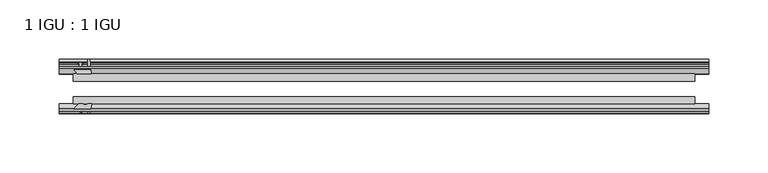
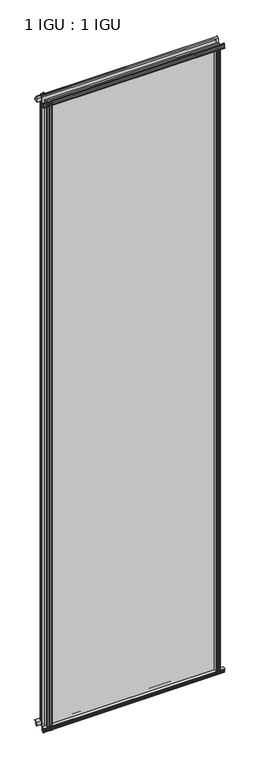
"""IFC4 building model written with IfcOpenShell, lengths in millimetres: plate geometry, 1 IGU : 1 IGU."""

from ifc_helpers import new_model, si_unit, point, frame, frame_2d, origin, origin_with_axes, place, context, project, spatial, polyline, circle_curve, trimmed, segment, composite_curve, outline, extrude, source, transform, mapped, element, save


def plate_1_igu_1_igu_e718d30f(model_context):
    return source(origin(), model_context, "Body", "SweptSolid", [
        extrude(outline(polyline([(-24.9039062, 2.5763839), (-12.2039062, 1.5739665), (-12.2039062, 0.0), (-18.5539062, 0.0), (-18.5539062, -4.953), (-16.254502, -5.5691235), (-16.6301757, -4.1670901), (-15.7714677, -3.937), (-15.1249062, -6.35), (-15.7714677, -8.763), (-16.6301757, -8.5329099), (-16.254502, -7.1308765), (-18.5539062, -7.747), (-18.5539062, -12.7), (-20.5859062, -12.7), (-24.9039062, -9.1036931), (-24.9039062, 2.5763839)])), frame((-275.3868, 0.0, 0.0), z_axis=(1.0, 0.0, 0.0), x_axis=(0.0, 1.0, 0.0)), (0.0, 0.0, 1.0), 550.7736),
        extrude(outline(composite_curve([segment(polyline([(-58.2287402, 1.5687054), (-50.3039062, 3.0983599), (-50.3039062, -7.92383), (-54.4858806, -12.1058044)]), True, "CONTINUOUS"), segment(trimmed(circle_curve(frame_2d((-55.3839062, -11.2077788)), 1.27), [point((-54.4858806, -12.1058044))], [point((-56.6539062, -11.2077788))], False, "CARTESIAN"), True, "CONTINUOUS"), segment(polyline([(-56.6539062, -11.2077788), (-56.6539062, -8.0327788), (-58.1332022, -5.4488186), (-56.6539062, -5.1879788), (-56.6539062, 0.2222212), (-58.2287402, 0.0), (-58.2287402, 1.5687054)]), True, "CONTINUOUS")], self_intersect=False)), frame((-275.3868, 0.0, 0.0), z_axis=(1.0, 0.0, 0.0), x_axis=(0.0, 1.0, 0.0)), (0.0, 0.0, 1.0), 550.7736),
        extrude(outline(polyline([(-18.5539063, 2001.656525), (-16.254502, 2001.0404015), (-16.6301757, 2002.4424349), (-15.7714677, 2002.672525), (-15.1249063, 2000.259525), (-15.7714677, 1997.846525), (-16.6301757, 1998.0766151), (-16.254502, 1999.4786485), (-18.5539063, 1998.862525), (-18.5539063, 1993.909525), (-12.2039062, 1993.909525), (-12.2039062, 1992.3355585), (-24.9039063, 1991.3331411), (-24.9039063, 2003.0132181), (-20.5859063, 2006.609525), (-18.5539063, 2006.609525), (-18.5539063, 2001.656525)])), frame((-275.3868, 0.0, 0.0), z_axis=(1.0, 0.0, 0.0), x_axis=(0.0, 1.0, 0.0)), (0.0, 0.0, 1.0), 550.7736),
        extrude(outline(composite_curve([segment(polyline([(-50.3039063, 2001.833355), (-50.3039063, 1990.8111651), (-58.2287402, 1992.3408196), (-58.2287402, 1993.909525), (-56.6539063, 1993.6873038), (-56.6539063, 1999.0975038), (-58.1332023, 1999.3583436), (-56.6539063, 2001.9423038), (-56.6539063, 2005.1173038)]), True, "CONTINUOUS"), segment(trimmed(circle_curve(frame_2d((-55.3839063, 2005.1173038)), 1.27), [point((-56.6539063, 2005.1173038))], [point((-54.4858806, 2006.0153294))], False, "CARTESIAN"), True, "CONTINUOUS"), segment(polyline([(-54.4858806, 2006.0153294), (-50.3039063, 2001.833355)]), True, "CONTINUOUS")], self_intersect=False)), frame((-275.3868, 0.0, 0.0), z_axis=(1.0, 0.0, 0.0), x_axis=(0.0, 1.0, 0.0)), (0.0, 0.0, 1.0), 550.7736),
        extrude(outline(composite_curve([segment(polyline([(249.093956, -57.3876965), (247.7266401, -50.3039063), (258.74883, -50.3039063), (262.9308044, -54.4858806)]), True, "CONTINUOUS"), segment(trimmed(circle_curve(frame_2d((262.0327788, -55.3839062)), 1.27), [point((262.9308044, -54.4858806))], [point((262.0327788, -56.6539062))], False, "CARTESIAN"), True, "CONTINUOUS"), segment(polyline([(262.0327788, -56.6539062), (258.8577788, -56.6539063), (256.2738186, -58.1332023), (256.0129788, -56.6539063), (250.6027788, -56.6539063), (250.825, -58.2287402), (249.8606792, -58.2014026)]), True, "CONTINUOUS"), segment(trimmed(circle_curve(frame_2d((250.0947788, -57.2127402)), 1.016), [point((249.8606792, -58.2014026))], [point((249.093956, -57.3876965))], False, "CARTESIAN"), True, "CONTINUOUS")], self_intersect=False)), origin_with_axes(), (0.0, 0.0, 1.0), 1994.3064),
        extrude(outline(polyline([(255.778, -18.5539062), (256.3941235, -16.254502), (254.9920901, -16.6301757), (254.762, -15.7714677), (257.175, -15.1249062), (259.588, -15.7714677), (259.3579099, -16.6301757), (257.9558765, -16.254502), (258.572, -18.5539062), (263.525, -18.5539062), (263.525, -20.5859063), (259.9286931, -24.9039063), (248.2486161, -24.9039063), (249.2510335, -12.2039062), (250.825, -12.2039062), (250.825, -18.5539062), (255.778, -18.5539062)])), origin_with_axes(), (0.0, 0.0, 1.0), 1994.3064),
        extrude(outline(composite_curve([segment(polyline([(-258.8577788, -56.6539062), (-262.0327788, -56.6539062)]), True, "CONTINUOUS"), segment(trimmed(circle_curve(frame_2d((-262.0327788, -55.3839062)), 1.27), [point((-262.0327788, -56.6539062))], [point((-262.9308044, -54.4858806))], False, "CARTESIAN"), True, "CONTINUOUS"), segment(polyline([(-262.9308044, -54.4858806), (-258.74883, -50.3039062), (-255.0792845, -50.3039062)]), True, "CONTINUOUS"), segment(trimmed(circle_curve(frame_2d((-253.0157788, -46.3669062)), 4.445), [point((-255.0792845, -50.3039062))], [point((-250.952273, -50.3039062))], True, "CARTESIAN"), True, "CONTINUOUS"), segment(polyline([(-250.952273, -50.3039062), (-247.7266401, -50.3039062), (-249.2562946, -58.2287402), (-250.825, -58.2287402), (-250.6027788, -56.6539062), (-256.0129788, -56.6539062), (-256.2738186, -58.1332022), (-258.8577788, -56.6539062)]), True, "CONTINUOUS")], self_intersect=False)), frame((0.0, 0.0, -12.7), z_axis=(0.0, 0.0, 1.0), x_axis=(1.0, 0.0, 0.0)), (0.0, 0.0, 1.0), 2019.309525),
        extrude(outline(polyline([(-248.2486161, -24.9039062), (-259.9286931, -24.9039062), (-263.525, -20.5859062), (-263.525, -18.5539062), (-258.572, -18.5539062), (-257.9558765, -16.254502), (-259.3579099, -16.6301757), (-259.588, -15.7714677), (-257.175, -15.1249062), (-254.762, -15.7714677), (-254.9920901, -16.6301757), (-256.3941235, -16.254502), (-255.778, -18.5539062), (-250.825, -18.5539062), (-250.825, -12.2039062), (-249.2510335, -12.2039062), (-248.2486161, -24.9039062)])), frame((0.0, 0.0, -12.7), z_axis=(0.0, 0.0, 1.0), x_axis=(1.0, 0.0, 0.0)), (0.0, 0.0, 1.0), 2019.309525),
        extrude(outline(polyline([(263.525, -24.9039062), (263.525, -31.2031063), (-263.525, -31.2031063), (-263.525, -24.9039062), (263.525, -24.9039062)])), frame((0.0, 0.0, -12.7), z_axis=(0.0, 0.0, 1.0), x_axis=(1.0, 0.0, 0.0)), (0.0, 0.0, 1.0), 2019.309525),
        extrude(outline(polyline([(-263.525, -44.0047063), (263.525, -44.0047063), (263.525, -50.3039062), (-263.525, -50.3039062), (-263.525, -44.0047063)])), frame((0.0, 0.0, -12.7), z_axis=(0.0, 0.0, 1.0), x_axis=(1.0, 0.0, 0.0)), (0.0, 0.0, 1.0), 2019.309525),
    ])


if __name__ == "__main__":
    model = new_model("IFC4")
    model_context = context("Model", 3, world=origin())
    ifc_project = project(units=[si_unit("LENGTHUNIT", "METRE", prefix="MILLI")], contexts=[model_context])
    site = spatial("IfcSite", under=ifc_project)
    building = spatial("IfcBuilding", under=site)
    placement = place(None, origin())
    plate_1_igu_1_igu_shape = plate_1_igu_1_igu_e718d30f(model_context)
    element("IfcPlate", 1, ObjectType="1 IGU : 1 IGU", at=placement, inside=building, context=model_context, shape_type="MappedRepresentation", body=[
        mapped(plate_1_igu_1_igu_shape, transform((0.0, 0.0, 0.0), x_axis=(1.0, 0.0, 0.0), y_axis=(0.0, 1.0, 0.0), z_axis=(0.0, 0.0, 1.0))),
    ])
    save(model, "model.ifc")
